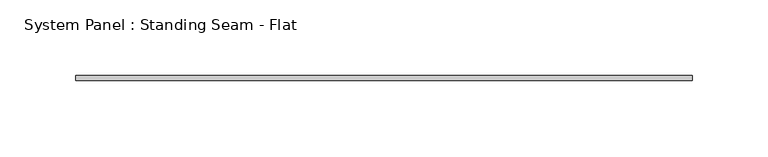
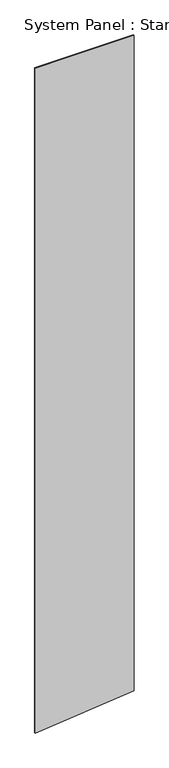
"""IFC4 building model written with IfcOpenShell, lengths in millimetres: plate geometry, System Panel : Standing Seam - Flat."""

from ifc_helpers import new_model, si_unit, frame, origin, place, context, project, spatial, polyline, outline, extrude, source, transform, mapped, element, save


def system_panel_standing_seam_flat_178dc039(model_context):
    return source(origin(), model_context, "Body", "SweptSolid", [
        extrude(outline(polyline([(0.0, -203.2), (41.2973855, 203.2), (2887.9926873, 203.2), (2887.9926873, -203.2), (0.0, -203.2)])), frame((0.0, -1.5875, 0.0), z_axis=(0.0, 1.0, 0.0), x_axis=(0.0, 0.0, 1.0)), (0.0, 0.0, 1.0), 3.175),
    ])


if __name__ == "__main__":
    model = new_model("IFC4")
    model_context = context("Model", 3, world=origin())
    ifc_project = project(units=[si_unit("LENGTHUNIT", "METRE", prefix="MILLI")], contexts=[model_context])
    site = spatial("IfcSite", under=ifc_project)
    building = spatial("IfcBuilding", under=site)
    placement = place(None, origin())
    system_panel_standing_seam_flat_shape = system_panel_standing_seam_flat_178dc039(model_context)
    element("IfcPlate", 1, ObjectType="System Panel : Standing Seam - Flat", at=placement, inside=building, context=model_context, shape_type="MappedRepresentation", body=[
        mapped(system_panel_standing_seam_flat_shape, transform((0.0, 0.0, 0.0), x_axis=(1.0, 0.0, 0.0), y_axis=(0.0, 1.0, 0.0), z_axis=(0.0, 0.0, 1.0))),
    ])
    save(model, "model.ifc")
